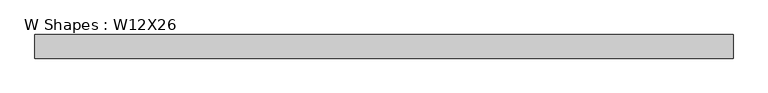
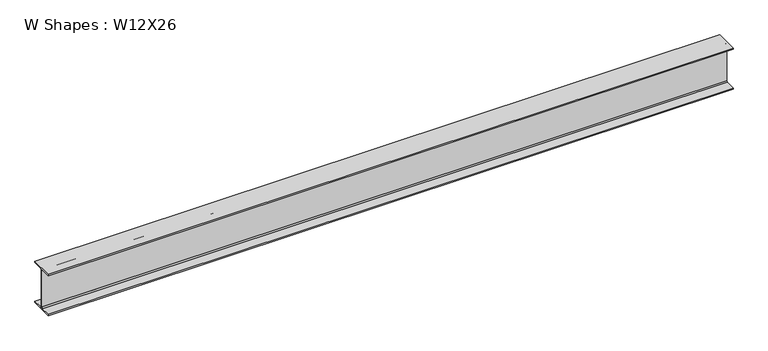
"""IFC4 building model written with IfcOpenShell, lengths in millimetres: beam geometry, W Shapes : W12X26."""

from ifc_helpers import new_model, si_unit, point, frame, frame_2d, origin, place, context, project, spatial, polyline, circle_curve, trimmed, segment, composite_curve, outline, extrude, source, transform, mapped, element, save


def w_shapes_w12x26_2594ad75(model_context):
    return source(origin(), model_context, "Body", "SweptSolid", [
        extrude(outline(composite_curve([segment(polyline([(82.423, -145.288), (82.423, -154.94), (-82.423, -154.94), (-82.423, -145.288), (-10.541, -145.288)]), True, "CONTINUOUS"), segment(trimmed(circle_curve(frame_2d((-10.541, -137.668)), 7.62), [point((-10.541, -145.288))], [point((-2.921, -137.668))], True, "CARTESIAN"), True, "CONTINUOUS"), segment(polyline([(-2.921, -137.668), (-2.921, 137.668)]), True, "CONTINUOUS"), segment(trimmed(circle_curve(frame_2d((-10.541, 137.668)), 7.62), [point((-2.921, 137.668))], [point((-10.541, 145.288))], True, "CARTESIAN"), True, "CONTINUOUS"), segment(polyline([(-10.541, 145.288), (-82.423, 145.288), (-82.423, 154.94), (82.423, 154.94), (82.423, 145.288), (10.541, 145.288)]), True, "CONTINUOUS"), segment(trimmed(circle_curve(frame_2d((10.541, 137.668)), 7.62), [point((10.541, 145.288))], [point((2.921, 137.668))], True, "CARTESIAN"), True, "CONTINUOUS"), segment(polyline([(2.921, 137.668), (2.921, -137.668)]), True, "CONTINUOUS"), segment(trimmed(circle_curve(frame_2d((10.541, -137.668)), 7.62), [point((2.921, -137.668))], [point((10.541, -145.288))], True, "CARTESIAN"), True, "CONTINUOUS"), segment(polyline([(10.541, -145.288), (82.423, -145.288)]), True, "CONTINUOUS")], self_intersect=False)), frame((-2438.4, 0.0, 0.0), z_axis=(1.0, 0.0, 0.0), x_axis=(0.0, 1.0, 0.0)), (0.0, 0.0, 1.0), 4876.8),
    ])


if __name__ == "__main__":
    model = new_model("IFC4")
    model_context = context("Model", 3, world=origin())
    ifc_project = project(units=[si_unit("LENGTHUNIT", "METRE", prefix="MILLI")], contexts=[model_context])
    site = spatial("IfcSite", under=ifc_project)
    building = spatial("IfcBuilding", under=site)
    placement = place(None, origin())
    w_shapes_w12x26_shape = w_shapes_w12x26_2594ad75(model_context)
    element("IfcBeam", 1, ObjectType="W Shapes : W12X26", at=placement, inside=building, context=model_context, shape_type="MappedRepresentation", body=[
        mapped(w_shapes_w12x26_shape, transform((0.0, 0.0, 0.0), x_axis=(1.0, 0.0, 0.0), y_axis=(0.0, 1.0, 0.0), z_axis=(0.0, 0.0, 1.0))),
    ])
    save(model, "model.ifc")
